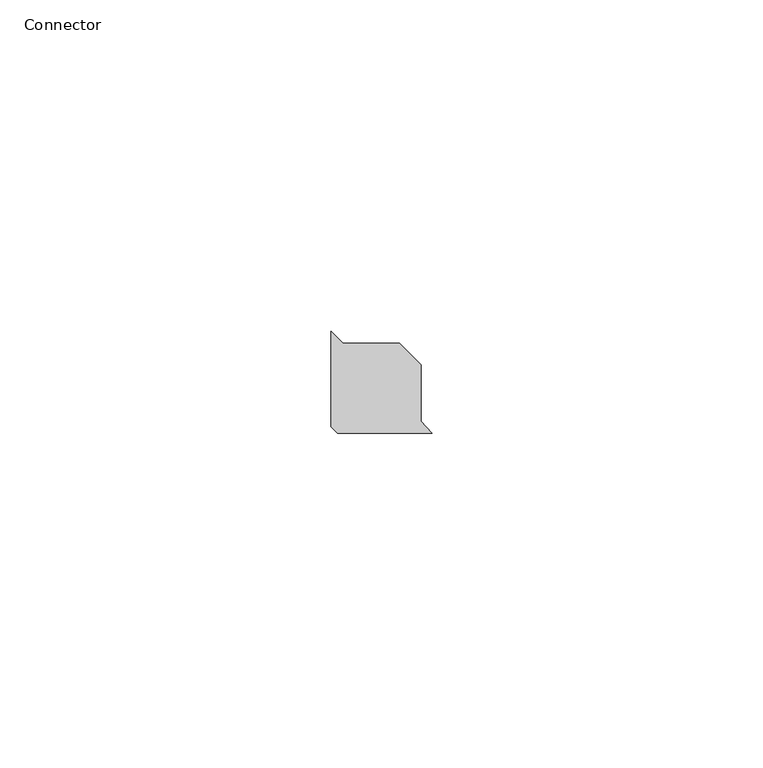
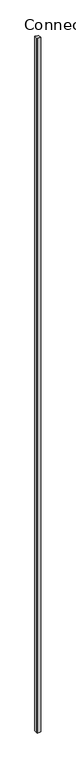
"""IFC4 building model written with IfcOpenShell, lengths in millimetres: furniture geometry, Connector."""

from ifc_helpers import new_model, si_unit, origin, origin_with_axes, place, context, project, spatial, polyline, outline, extrude, source, transform, mapped, element, save


def connector_d3eca75e(model_context):
    return source(origin(), model_context, "Body", "SweptSolid", [
        extrude(outline(polyline([(-8.0472548, -23.5226029), (-9.0472548, -22.5226029), (-9.0472548, -8.1481957), (-7.222848, -9.9726025), (1.2771522, -9.9726025), (4.5027456, -13.1981959), (4.5027456, -21.6900922), (6.1527457, -23.5226029), (-8.0472548, -23.5226029)])), origin_with_axes(), (0.0, 0.0, 1.0), 3048.0),
    ])


if __name__ == "__main__":
    model = new_model("IFC4")
    model_context = context("Model", 3, world=origin())
    ifc_project = project(units=[si_unit("LENGTHUNIT", "METRE", prefix="MILLI")], contexts=[model_context])
    site = spatial("IfcSite", under=ifc_project)
    building = spatial("IfcBuilding", under=site)
    placement = place(None, origin())
    connector_shape = connector_d3eca75e(model_context)
    element("IfcFurniture", 1, ObjectType="Connector", at=placement, inside=building, context=model_context, shape_type="MappedRepresentation", body=[
        mapped(connector_shape, transform((0.0, 0.0, 0.0), x_axis=(1.0, 0.0, 0.0), y_axis=(0.0, 1.0, 0.0), z_axis=(0.0, 0.0, 1.0))),
    ])
    save(model, "model.ifc")
